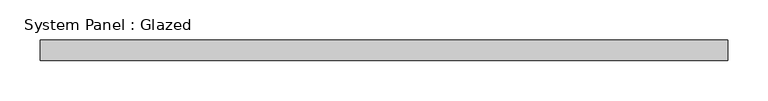
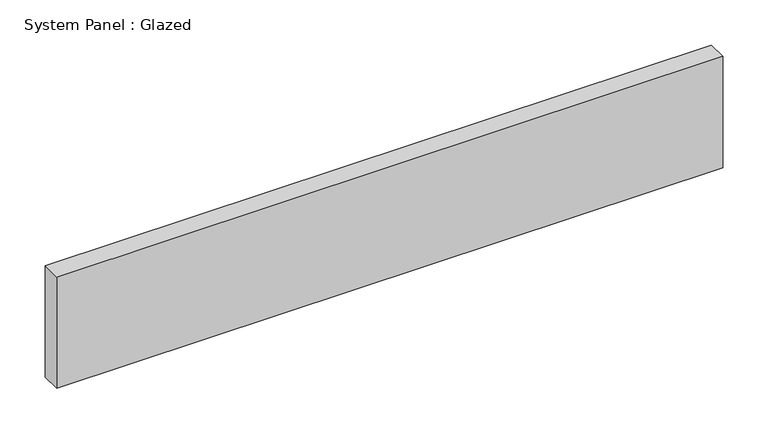
"""IFC4 building model written with IfcOpenShell, lengths in millimetres: plate geometry, System Panel : Glazed."""

from ifc_helpers import new_model, si_unit, origin, origin_with_axes, place, context, project, spatial, polyline, outline, extrude, source, transform, mapped, element, save


def system_panel_glazed_35838e83(model_context):
    return source(origin(), model_context, "Body", "SweptSolid", [
        extrude(outline(polyline([(425.0, 24.5), (-425.0, 24.5), (-425.0, 49.5), (425.0, 49.5), (425.0, 24.5)])), origin_with_axes(), (0.0, 0.0, 1.0), 150.0),
    ])


if __name__ == "__main__":
    model = new_model("IFC4")
    model_context = context("Model", 3, world=origin())
    ifc_project = project(units=[si_unit("LENGTHUNIT", "METRE", prefix="MILLI")], contexts=[model_context])
    site = spatial("IfcSite", under=ifc_project)
    building = spatial("IfcBuilding", under=site)
    placement = place(None, origin())
    system_panel_glazed_shape = system_panel_glazed_35838e83(model_context)
    element("IfcPlate", 1, ObjectType="System Panel : Glazed", at=placement, inside=building, context=model_context, shape_type="MappedRepresentation", body=[
        mapped(system_panel_glazed_shape, transform((0.0, 0.0, 0.0), x_axis=(1.0, 0.0, 0.0), y_axis=(0.0, 1.0, 0.0), z_axis=(0.0, 0.0, 1.0))),
    ])
    save(model, "model.ifc")
